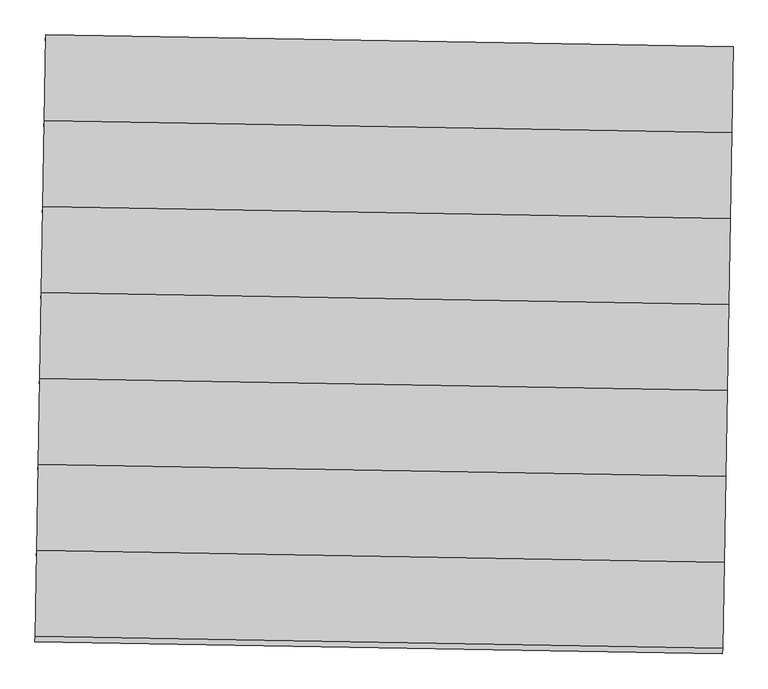
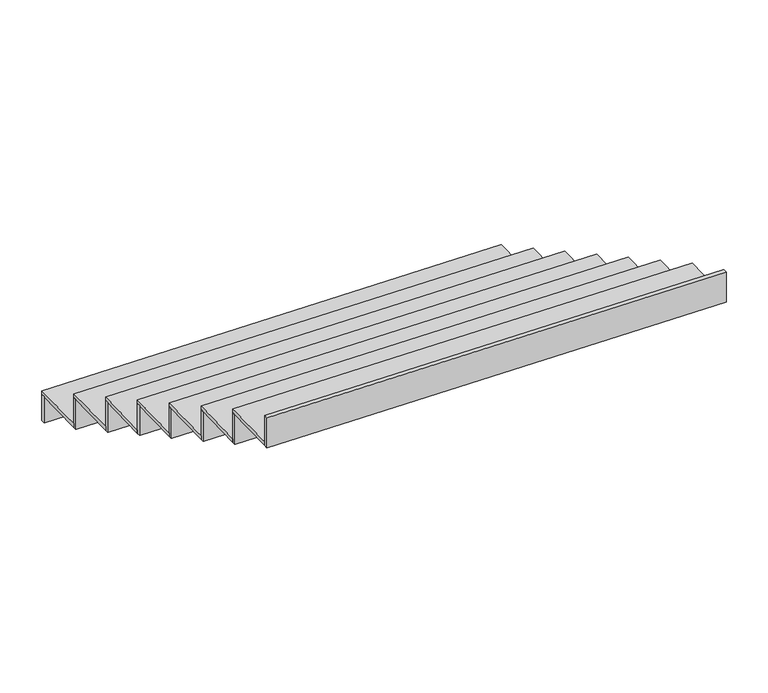
"""IFC4 building model written with IfcOpenShell, lengths in millimetres: stair flight geometry."""

import ifcopenshell
import ifcopenshell.guid

model = None  # the IFC model being written
_history = None  # IfcOwnerHistory: only IFC2X3 demands one
_inside = {}  # id of a spatial element -> (the spatial element, [elements in it])
_under = {}  # id of a project, library or spatial element -> (it, [spatial elements below it])
_declared = {}  # id of a project -> (the project, [libraries it declares])
_typed = {}  # id of a type object -> (the type object, [elements of that type])
_made_of = {}  # id of a material, layer set ... -> (it, [elements and type objects made of it])


def new_model(schema):
    """Start an empty IFC model of exactly this schema.

    Asked for "IFC4X3", IfcOpenShell would pick the latest addendum, in which some entities
    have other attributes; the version numbers below select the first issue.
    IFC2X3 requires an IfcOwnerHistory on every rooted entity: one is made here for all.
    """
    global model, _history
    if schema == "IFC4X3":
        model = ifcopenshell.file(schema_version=(4, 3, 0, 0))
    else:
        model = ifcopenshell.file(schema=schema)
    _inside.clear()
    _under.clear()
    _declared.clear()
    _typed.clear()
    _made_of.clear()
    _history = None
    if model.schema == "IFC2X3":
        org = make("IfcOrganization", Name="unknown")
        user = make(
            "IfcPersonAndOrganization",
            ThePerson=make("IfcPerson", FamilyName="unknown"),
            TheOrganization=org,
        )
        app = make(
            "IfcApplication",
            ApplicationDeveloper=org,
            Version="unknown",
            ApplicationFullName="unknown",
            ApplicationIdentifier="unknown",
        )
        _history = make(
            "IfcOwnerHistory",
            OwningUser=user,
            OwningApplication=app,
            ChangeAction="ADDED",
            CreationDate=0,
        )
    return model


def make(cls, **values):
    """One entity of the class cls with the attributes given. An attribute that is None is left unset."""
    return model.create_entity(
        cls, **{name: value for name, value in values.items() if value is not None}
    )


def rooted(cls, **values):
    """An entity with a GlobalId (a new one), such as an element, a storey or a relation."""
    return make(cls, GlobalId=ifcopenshell.guid.new(), OwnerHistory=_history, **values)


def si_unit(unit_type, name, prefix=None):
    """IfcSIUnit, for example si_unit("LENGTHUNIT", "METRE", prefix="MILLI")."""
    return make("IfcSIUnit", UnitType=unit_type, Prefix=prefix, Name=name)


def assignment(units):
    """IfcUnitAssignment: the units of a project."""
    return None if units is None else make("IfcUnitAssignment", Units=units)


def point(xyz):
    """IfcCartesianPoint."""
    return None if xyz is None else make("IfcCartesianPoint", Coordinates=xyz)


def direction(xyz):
    """IfcDirection."""
    return None if xyz is None else make("IfcDirection", DirectionRatios=xyz)


def frame(location, z_axis=None, x_axis=None):
    """IfcAxis2Placement3D, a coordinate frame: its origin and axes. An axis left out is left unset."""
    return make(
        "IfcAxis2Placement3D",
        Location=point(location),
        Axis=direction(z_axis),
        RefDirection=direction(x_axis),
    )


def origin():
    """The frame at (0, 0, 0) with its axes left unset."""
    return frame((0.0, 0.0, 0.0))


def place(relative_to, where):
    """IfcLocalPlacement: puts the frame where relative to a parent placement (None: the world)."""
    return make(
        "IfcLocalPlacement", PlacementRelTo=relative_to, RelativePlacement=where
    )


def context(
    kind, dimensions, precision=None, world=None, true_north=None, identifier=None
):
    """IfcGeometricRepresentationContext, for example the 3D "Model" context."""
    return make(
        "IfcGeometricRepresentationContext",
        ContextIdentifier=identifier,
        ContextType=kind,
        CoordinateSpaceDimension=dimensions,
        Precision=precision,
        WorldCoordinateSystem=world,
        TrueNorth=true_north,
    )


def project(units=None, contexts=None):
    """IfcProject with its units and contexts."""
    return rooted(
        "IfcProject",
        Name="project",
        RepresentationContexts=contexts,
        UnitsInContext=assignment(units),
    )


def spatial(cls, under=None, at=None, **own):
    """A site, building, storey or space (cls), placed at a placement, below another one or the project."""
    s = rooted(cls, ObjectPlacement=at, **own)
    if under is not None:
        _under.setdefault(under.id(), (under, []))[1].append(s)
    return s


def polyline(points):
    """IfcPolyline through the points."""
    return make("IfcPolyline", Points=[point(p) for p in points])


def outline(outer, holes=None, kind="AREA"):
    """IfcArbitraryClosedProfileDef: a profile drawn as a closed curve; with holes, ...WithVoids."""
    if holes is None:
        return make("IfcArbitraryClosedProfileDef", ProfileType=kind, OuterCurve=outer)
    return make(
        "IfcArbitraryProfileDefWithVoids",
        ProfileType=kind,
        OuterCurve=outer,
        InnerCurves=holes,
    )


def extrude(swept, where, along, depth):
    """IfcExtrudedAreaSolid: the profile swept, set in the frame where, extruded along a direction by depth."""
    return make(
        "IfcExtrudedAreaSolid",
        SweptArea=swept,
        Position=where,
        ExtrudedDirection=direction(along),
        Depth=depth,
    )


def shape(context_of_items, identifier, shape_type, items):
    """IfcShapeRepresentation: the items that make up one representation, for example the "Body"."""
    return make(
        "IfcShapeRepresentation",
        ContextOfItems=context_of_items,
        RepresentationIdentifier=identifier,
        RepresentationType=shape_type,
        Items=items,
    )


def source(mapping_origin, context_of_items, identifier, shape_type, items):
    """IfcRepresentationMap: a shape defined once, which mapped items show again and again."""
    return make(
        "IfcRepresentationMap",
        MappingOrigin=mapping_origin,
        MappedRepresentation=shape(context_of_items, identifier, shape_type, items),
    )


def transform(
    local_origin,
    x_axis=None,
    y_axis=None,
    z_axis=None,
    scale=None,
    scale2=None,
    scale3=None,
    uniform=True,
):
    """IfcCartesianTransformationOperator3D, or its non-uniform kind. x_axis, y_axis, z_axis: its Axis1, 2, 3."""
    if uniform:
        return make(
            "IfcCartesianTransformationOperator3D",
            Axis1=direction(x_axis),
            Axis2=direction(y_axis),
            LocalOrigin=point(local_origin),
            Scale=scale,
            Axis3=direction(z_axis),
        )
    return make(
        "IfcCartesianTransformationOperator3DnonUniform",
        Axis1=direction(x_axis),
        Axis2=direction(y_axis),
        LocalOrigin=point(local_origin),
        Scale=scale,
        Axis3=direction(z_axis),
        Scale2=scale2,
        Scale3=scale3,
    )


def mapped(mapping_source, mapping_target):
    """IfcMappedItem: shows the shape of a source again, moved by a transform."""
    return make(
        "IfcMappedItem", MappingSource=mapping_source, MappingTarget=mapping_target
    )


def made_of(thing, what):
    """Note that an element or type object is made of a material, layer set ...; save() writes the relation."""
    if what is not None:
        _made_of.setdefault(what.id(), (what, []))[1].append(thing)
    return thing


def element(
    cls,
    number,
    at=None,
    inside=None,
    cuts=None,
    type_object=None,
    material=None,
    context=None,
    identifier="Body",
    shape_type=None,
    held_by="IfcProductDefinitionShape",
    body=None,
    shapes=None,
    **own,
):
    """One element of the class cls, such as IfcWall. Its Tag is "e" and its number.

    at: its placement. inside: the storey or other place that contains it. cuts: it is an
    opening in that element (IfcRelVoidsElement). A single representation is given by context,
    identifier, shape_type and body (its items); several are given by shapes. held_by: the class
    of the entity that holds the representations. save() writes the other relations.
    """
    e = rooted(cls, Tag="e%d" % number, ObjectPlacement=at, **own)
    if body is not None:
        shapes = [shape(context, identifier, shape_type, body)]
    if shapes is not None:
        e.Representation = make(held_by, Representations=shapes)
    if inside is not None:
        _inside.setdefault(inside.id(), (inside, []))[1].append(e)
    if cuts is not None:
        rooted(
            "IfcRelVoidsElement", RelatingBuildingElement=cuts, RelatedOpeningElement=e
        )
    if type_object is not None:
        _typed.setdefault(type_object.id(), (type_object, []))[1].append(e)
    return made_of(e, material)


def aggregate(whole, parts):
    """IfcRelAggregates: a whole, such as a stair, and the parts it consists of."""
    return rooted("IfcRelAggregates", RelatingObject=whole, RelatedObjects=parts)


def save(model, path):
    """Write the relations noted so far, then the file.

    IfcRelAggregates (storeys below a building ...), IfcRelContainedInSpatialStructure (elements
    in a storey), IfcRelDefinesByType, IfcRelAssociatesMaterial and IfcRelDeclares: one each for
    every whole, place, type object, material and project.
    """
    for whole, parts in _under.values():
        aggregate(whole, parts)
    for where, things in _inside.values():
        rooted(
            "IfcRelContainedInSpatialStructure",
            RelatedElements=things,
            RelatingStructure=where,
        )
    for kind, things in _typed.values():
        rooted("IfcRelDefinesByType", RelatedObjects=things, RelatingType=kind)
    for what, things in _made_of.values():
        rooted("IfcRelAssociatesMaterial", RelatedObjects=things, RelatingMaterial=what)
    for by, libraries in _declared.values():
        rooted("IfcRelDeclares", RelatingContext=by, RelatedDefinitions=libraries)
    model.write(path)


def stair_flight_25bb5d88(model_context):
    return source(origin(), model_context, "Body", "SweptSolid", [
        extrude(outline(polyline([(-142949.6948307, 85679.1422095), (-142949.3457825, 85699.1391634), (-140549.7113142, 85657.2533879), (-140550.0603623, 85637.256434), (-142949.6948307, 85679.1422095)])), frame((0.0, 0.0, -2056.5), z_axis=(0.0, 0.0, 1.0), x_axis=(1.0, 0.0, 0.0)), (0.0, 0.0, 1.0), 146.6666667),
        extrude(outline(polyline([(-140554.9470361, 85357.2990794), (-142954.5815045, 85399.1848548), (-142949.3457825, 85699.1391634), (-140549.7113142, 85657.2533879), (-140554.9470361, 85357.2990794)])), frame((0.0, 0.0, -1909.8333333), z_axis=(0.0, 0.0, 1.0), x_axis=(1.0, 0.0, 0.0)), (0.0, 0.0, 1.0), 20.0),
        extrude(outline(polyline([(-142954.9305526, 85379.1879009), (-142954.5815045, 85399.1848548), (-140554.9470361, 85357.2990794), (-140555.2960842, 85337.3021255), (-142954.9305526, 85379.1879009)])), frame((0.0, 0.0, -1909.8333333), z_axis=(0.0, 0.0, 1.0), x_axis=(1.0, 0.0, 0.0)), (0.0, 0.0, 1.0), 166.6666667),
        extrude(outline(polyline([(-140560.182758, 85057.3447708), (-142959.8172264, 85099.2305463), (-142954.5815045, 85399.1848548), (-140554.9470361, 85357.2990794), (-140560.182758, 85057.3447708)])), frame((0.0, 0.0, -1743.1666667), z_axis=(0.0, 0.0, 1.0), x_axis=(1.0, 0.0, 0.0)), (0.0, 0.0, 1.0), 20.0),
        extrude(outline(polyline([(-142960.1662745, 85079.2335924), (-142959.8172264, 85099.2305463), (-140560.182758, 85057.3447708), (-140560.5318062, 85037.3478169), (-142960.1662745, 85079.2335924)])), frame((0.0, 0.0, -1743.1666667), z_axis=(0.0, 0.0, 1.0), x_axis=(1.0, 0.0, 0.0)), (0.0, 0.0, 1.0), 166.6666667),
        extrude(outline(polyline([(-140565.41848, 84757.3904623), (-142965.0529483, 84799.2762377), (-142959.8172264, 85099.2305463), (-140560.182758, 85057.3447708), (-140565.41848, 84757.3904623)])), frame((0.0, 0.0, -1576.5), z_axis=(0.0, 0.0, 1.0), x_axis=(1.0, 0.0, 0.0)), (0.0, 0.0, 1.0), 20.0),
        extrude(outline(polyline([(-142965.4019965, 84779.2792838), (-142965.0529483, 84799.2762377), (-140565.41848, 84757.3904623), (-140565.7675281, 84737.3935084), (-142965.4019965, 84779.2792838)])), frame((0.0, 0.0, -1576.5), z_axis=(0.0, 0.0, 1.0), x_axis=(1.0, 0.0, 0.0)), (0.0, 0.0, 1.0), 166.6666667),
        extrude(outline(polyline([(-140570.6542019, 84457.4361537), (-142970.2886703, 84499.3219292), (-142965.0529483, 84799.2762377), (-140565.41848, 84757.3904623), (-140570.6542019, 84457.4361537)])), frame((0.0, 0.0, -1409.8333333), z_axis=(0.0, 0.0, 1.0), x_axis=(1.0, 0.0, 0.0)), (0.0, 0.0, 1.0), 20.0),
        extrude(outline(polyline([(-142970.6377184, 84479.3249753), (-142970.2886703, 84499.3219292), (-140570.6542019, 84457.4361537), (-140571.00325, 84437.4391998), (-142970.6377184, 84479.3249753)])), frame((0.0, 0.0, -1409.8333333), z_axis=(0.0, 0.0, 1.0), x_axis=(1.0, 0.0, 0.0)), (0.0, 0.0, 1.0), 166.6666667),
        extrude(outline(polyline([(-140575.8899238, 84157.4818452), (-142975.5243922, 84199.3676206), (-142970.2886703, 84499.3219292), (-140570.6542019, 84457.4361537), (-140575.8899238, 84157.4818452)])), frame((0.0, 0.0, -1243.1666667), z_axis=(0.0, 0.0, 1.0), x_axis=(1.0, 0.0, 0.0)), (0.0, 0.0, 1.0), 20.0),
        extrude(outline(polyline([(-142975.8734403, 84179.3706667), (-142975.5243922, 84199.3676206), (-140575.8899238, 84157.4818452), (-140576.238972, 84137.4848913), (-142975.8734403, 84179.3706667)])), frame((0.0, 0.0, -1243.1666667), z_axis=(0.0, 0.0, 1.0), x_axis=(1.0, 0.0, 0.0)), (0.0, 0.0, 1.0), 166.6666667),
        extrude(outline(polyline([(-140581.1256458, 83857.5275366), (-142980.7601141, 83899.4133121), (-142975.5243922, 84199.3676206), (-140575.8899238, 84157.4818452), (-140581.1256458, 83857.5275366)])), frame((0.0, 0.0, -1076.5), z_axis=(0.0, 0.0, 1.0), x_axis=(1.0, 0.0, 0.0)), (0.0, 0.0, 1.0), 20.0),
        extrude(outline(polyline([(-142981.1091623, 83879.4163582), (-142980.7601141, 83899.4133121), (-140581.1256458, 83857.5275366), (-140581.4746939, 83837.5305827), (-142981.1091623, 83879.4163582)])), frame((0.0, 0.0, -1076.5), z_axis=(0.0, 0.0, 1.0), x_axis=(1.0, 0.0, 0.0)), (0.0, 0.0, 1.0), 166.6666667),
        extrude(outline(polyline([(-142986.3448842, 83579.4620496), (-142985.9958361, 83599.4590035), (-140586.3613677, 83557.5732281), (-140586.7104158, 83537.5762742), (-142986.3448842, 83579.4620496)])), frame((0.0, 0.0, -909.8333333), z_axis=(0.0, 0.0, 1.0), x_axis=(1.0, 0.0, 0.0)), (0.0, 0.0, 1.0), 166.6666667),
        extrude(outline(polyline([(-140586.3613677, 83557.5732281), (-142985.9958361, 83599.4590035), (-142980.7601141, 83899.4133121), (-140581.1256458, 83857.5275366), (-140586.3613677, 83557.5732281)])), frame((0.0, 0.0, -909.8333333), z_axis=(0.0, 0.0, 1.0), x_axis=(1.0, 0.0, 0.0)), (0.0, 0.0, 1.0), 20.0),
    ])


if __name__ == "__main__":
    model = new_model("IFC4")
    model_context = context("Model", 3, world=origin())
    ifc_project = project(units=[si_unit("LENGTHUNIT", "METRE", prefix="MILLI")], contexts=[model_context])
    site = spatial("IfcSite", under=ifc_project)
    building = spatial("IfcBuilding", under=site)
    placement = place(None, origin())
    stair_flight_shape = stair_flight_25bb5d88(model_context)
    element("IfcStairFlight", 1, at=placement, inside=building, context=model_context, shape_type="MappedRepresentation", body=[
        mapped(stair_flight_shape, transform((0.0, 0.0, 0.0), x_axis=(1.0, 0.0, 0.0), y_axis=(0.0, 1.0, 0.0), z_axis=(0.0, 0.0, 1.0))),
    ])
    save(model, "model.ifc")
